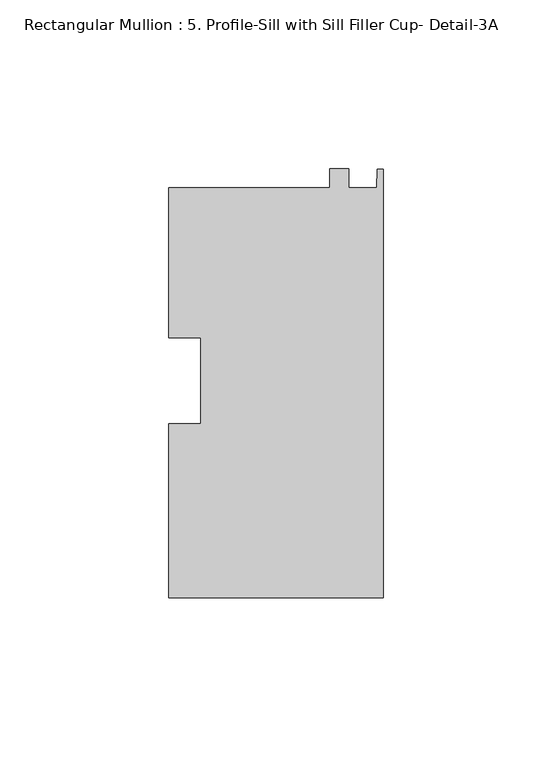
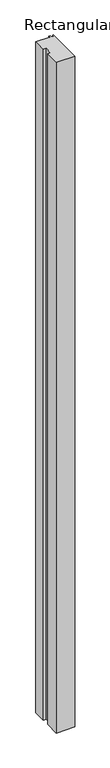
"""IFC4 building model written with IfcOpenShell, lengths in millimetres: member geometry, Rectangular Mullion : 5. Profile-Sill with Sill Filler Cup- Detail-3A."""

from ifc_helpers import new_model, si_unit, frame, origin, place, context, project, spatial, polyline, outline, extrude, source, transform, mapped, element, save


def rectangular_mullion_5_profile_sill_with_sill_filler_cup_3b1f005b(model_context):
    return source(origin(), model_context, "Body", "SweptSolid", [
        extrude(outline(polyline([(0.0, -64.3383306), (-63.5, -64.3383306), (-63.5, -12.8056799), (-53.975, -12.8056799), (-53.975, 12.6820184), (-63.5, 12.6820184), (-63.5, 57.1057362), (-15.875, 57.1057362), (-15.875, 62.7422846), (-10.2505609, 62.7422846), (-10.2505609, 57.1037626), (-1.892324, 57.1057136), (-1.778, 62.6618592), (0.0, 62.6618592), (0.0, -64.3383306)])), frame((0.0, 0.0, -2438.4), z_axis=(0.0, 0.0, 1.0), x_axis=(1.0, 0.0, 0.0)), (0.0, 0.0, 1.0), 2438.4),
    ])


if __name__ == "__main__":
    model = new_model("IFC4")
    model_context = context("Model", 3, world=origin())
    ifc_project = project(units=[si_unit("LENGTHUNIT", "METRE", prefix="MILLI")], contexts=[model_context])
    site = spatial("IfcSite", under=ifc_project)
    building = spatial("IfcBuilding", under=site)
    placement = place(None, origin())
    rectangular_mullion_5_profile_sill_with_sill_filler_cup_shape = rectangular_mullion_5_profile_sill_with_sill_filler_cup_3b1f005b(model_context)
    element("IfcMember", 1, ObjectType="Rectangular Mullion : 5. Profile-Sill with Sill Filler Cup- Detail-3A", at=placement, inside=building, context=model_context, shape_type="MappedRepresentation", body=[
        mapped(rectangular_mullion_5_profile_sill_with_sill_filler_cup_shape, transform((0.0, 0.0, 0.0), x_axis=(1.0, 0.0, 0.0), y_axis=(0.0, 1.0, 0.0), z_axis=(0.0, 0.0, 1.0))),
    ])
    save(model, "model.ifc")
